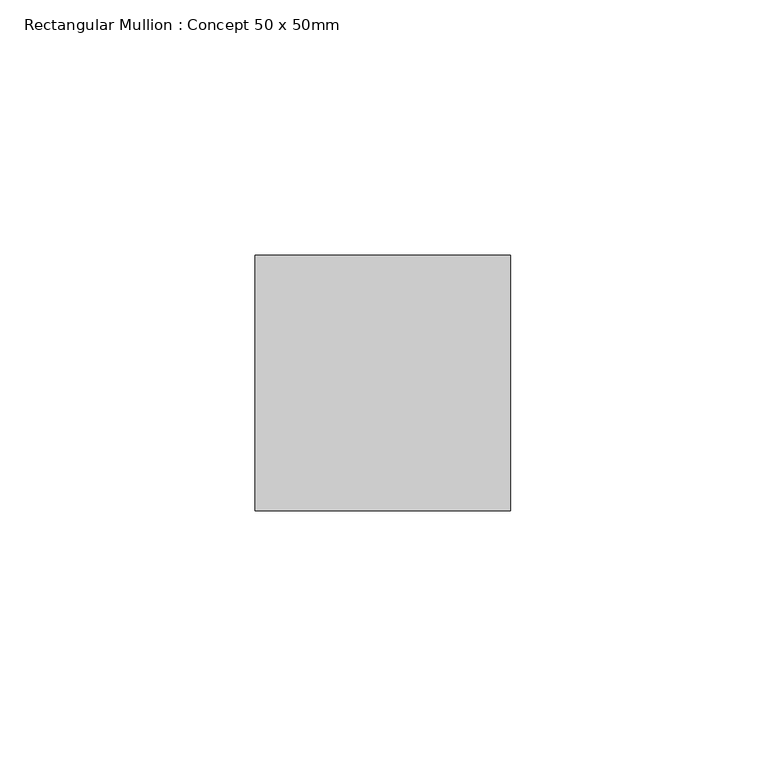
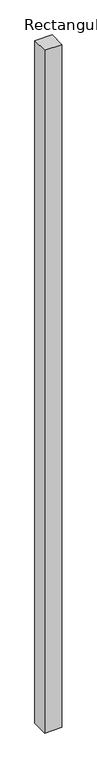
"""IFC4 building model written with IfcOpenShell, lengths in millimetres: member geometry, Rectangular Mullion : Concept 50 x 50mm."""

from ifc_helpers import new_model, si_unit, frame, origin, place, context, project, spatial, polyline, outline, extrude, source, transform, mapped, element, save


def rectangular_mullion_concept_50_x_50mm_bd4b9c1c(model_context):
    return source(origin(), model_context, "Body", "SweptSolid", [
        extrude(outline(polyline([(0.0, 50.0), (0.0, 0.0), (-50.0, 0.0), (-50.0, 50.0), (0.0, 50.0)])), frame((0.0, 0.0, -2110.0), z_axis=(0.0, 0.0, 1.0), x_axis=(1.0, 0.0, 0.0)), (0.0, 0.0, 1.0), 2110.0),
    ])


if __name__ == "__main__":
    model = new_model("IFC4")
    model_context = context("Model", 3, world=origin())
    ifc_project = project(units=[si_unit("LENGTHUNIT", "METRE", prefix="MILLI")], contexts=[model_context])
    site = spatial("IfcSite", under=ifc_project)
    building = spatial("IfcBuilding", under=site)
    placement = place(None, origin())
    rectangular_mullion_concept_50_x_50mm_shape = rectangular_mullion_concept_50_x_50mm_bd4b9c1c(model_context)
    element("IfcMember", 1, ObjectType="Rectangular Mullion : Concept 50 x 50mm", at=placement, inside=building, context=model_context, shape_type="MappedRepresentation", body=[
        mapped(rectangular_mullion_concept_50_x_50mm_shape, transform((0.0, 0.0, 0.0), x_axis=(1.0, 0.0, 0.0), y_axis=(0.0, 1.0, 0.0), z_axis=(0.0, 0.0, 1.0))),
    ])
    save(model, "model.ifc")
